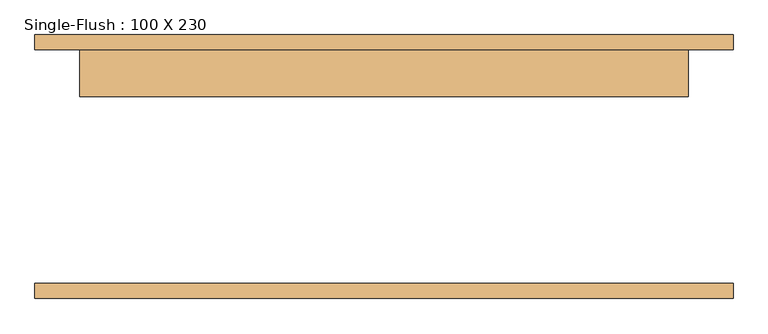
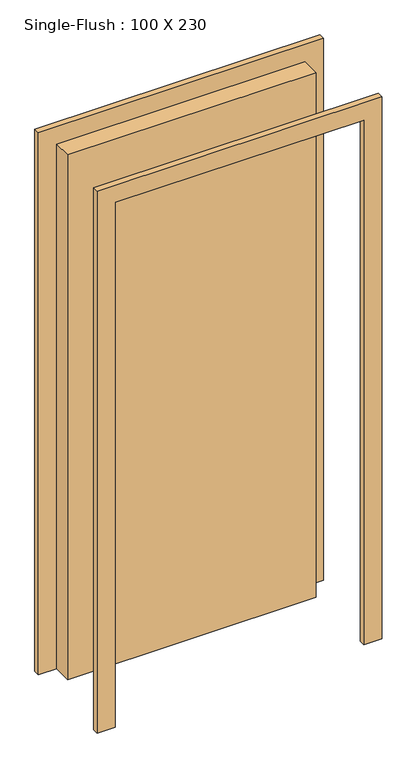
"""IFC4 building model written with IfcOpenShell, lengths in millimetres: door geometry, Single-Flush : 100 X 230."""

from ifc_helpers import new_model, si_unit, frame, origin, origin_with_axes, place, context, project, spatial, polyline, outline, extrude, source, transform, mapped, element, save


def single_flush_100_x_230_1ff8bdef(model_context):
    return source(origin(), model_context, "Body", "SweptSolid", [
        extrude(outline(polyline([(2396.2, -596.2), (0.0, -596.2), (0.0, -520.0), (2320.0, -520.0), (2320.0, 520.0), (0.0, 520.0), (0.0, 596.2), (2396.2, 596.2), (2396.2, -596.2)])), frame((0.0, 200.0, 0.0), z_axis=(0.0, 1.0, 0.0), x_axis=(0.0, 0.0, 1.0)), (0.0, 0.0, 1.0), 25.4),
        extrude(outline(polyline([(2396.2, 596.2), (2396.2, -596.2), (0.0, -596.2), (0.0, -520.0), (2320.0, -520.0), (2320.0, 520.0), (0.0, 520.0), (0.0, 596.2), (2396.2, 596.2)])), frame((0.0, -225.4, 0.0), z_axis=(0.0, 1.0, 0.0), x_axis=(0.0, 0.0, 1.0)), (0.0, 0.0, 1.0), 25.4),
        extrude(outline(polyline([(520.0, 120.0), (-520.0, 120.0), (-520.0, 200.0), (520.0, 200.0), (520.0, 120.0)])), origin_with_axes(), (0.0, 0.0, 1.0), 2320.0),
    ])


if __name__ == "__main__":
    model = new_model("IFC4")
    model_context = context("Model", 3, world=origin())
    ifc_project = project(units=[si_unit("LENGTHUNIT", "METRE", prefix="MILLI")], contexts=[model_context])
    site = spatial("IfcSite", under=ifc_project)
    building = spatial("IfcBuilding", under=site)
    placement = place(None, origin())
    single_flush_100_x_230_shape = single_flush_100_x_230_1ff8bdef(model_context)
    element("IfcDoor", 1, ObjectType="Single-Flush : 100 X 230", at=placement, inside=building, context=model_context, shape_type="MappedRepresentation", body=[
        mapped(single_flush_100_x_230_shape, transform((0.0, 0.0, 0.0), x_axis=(1.0, 0.0, 0.0), y_axis=(0.0, 1.0, 0.0), z_axis=(0.0, 0.0, 1.0))),
    ])
    save(model, "model.ifc")
